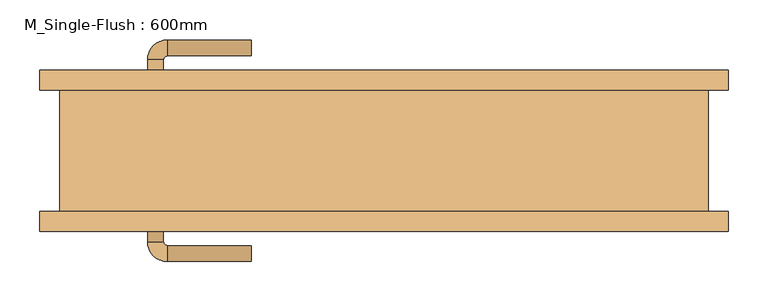
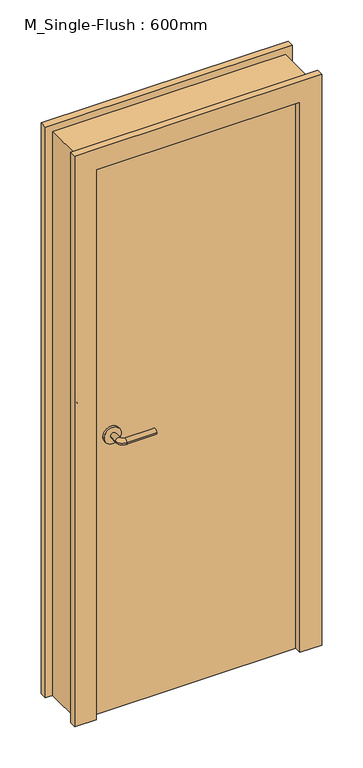
"""IFC4 building model written with IfcOpenShell, lengths in millimetres: door geometry, M_Single-Flush : 600mm."""

from ifc_helpers import new_model, si_unit, point, frame, frame_2d, origin, origin_with_axes, place, context, project, spatial, polyline, circle_curve, ellipse_curve, trimmed, segment, composite_curve, outline, extrude, source, transform, mapped, element, save
from ifc_brep_helpers import plane_surface, cylinder_surface, revolved_surface, advanced_brep


def m_single_flush_600mm_de8d478b(model_context):
    return source(origin(), model_context, "Body", "SolidModel", [
        advanced_brep(
        [(-298.1389046, -84.2, 1016.0), (-278.1389046, -84.2, 1016.0), (-278.1389046, -114.2, 1016.0), (-298.1389046, -114.2, 1016.0), (-273.1389046, -119.2, 1016.0), (-273.1389046, -139.2, 1016.0), (-168.1389046, -139.2, 1016.0), (-168.1389046, -119.2, 1016.0)],
        [
            (0, 1, circle_curve(frame((-288.1389046, -84.2, 1016.0), z_axis=(0.0, 1.0, 0.0), x_axis=(1.0, 0.0, 0.0)), 10.0)),
            (1, 0, circle_curve(frame((-288.1389046, -84.2, 1016.0), z_axis=(0.0, 1.0, 0.0), x_axis=(1.0, 0.0, 0.0)), 10.0)),
            (1, 2),
            (2, 3, circle_curve(frame((-288.1389046, -114.2, 1016.0), z_axis=(0.0, 1.0, 0.0), x_axis=(1.0, 0.0, 0.0)), 10.0)),
            (3, 0),
            (3, 2, circle_curve(frame((-288.1389046, -114.2, 1016.0), z_axis=(0.0, 1.0, 0.0), x_axis=(1.0, 0.0, 0.0)), 10.0)),
            (4, 5, circle_curve(frame((-273.1389046, -129.2, 1016.0), z_axis=(-1.0, 0.0, 0.0), x_axis=(0.0, 1.0, 0.0)), 10.0)),
            (5, 3, circle_curve(frame((-273.1389046, -114.2, 1016.0), z_axis=(0.0, 0.0, -1.0), x_axis=(-1.0, 0.0, 0.0)), 25.0)),
            (2, 4, circle_curve(frame((-273.1389046, -114.2, 1016.0), z_axis=(0.0, 0.0, 1.0), x_axis=(-1.0, 0.0, 0.0)), 5.0)),
            (5, 4, circle_curve(frame((-273.1389046, -129.2, 1016.0), z_axis=(-1.0, 0.0, 0.0), x_axis=(0.0, 1.0, 0.0)), 10.0)),
            (6, 7, circle_curve(frame((-168.1389046, -129.2, 1016.0), z_axis=(1.0, 0.0, 0.0), x_axis=(0.0, 1.0, 0.0)), 10.0)),
            (7, 6, circle_curve(frame((-168.1389046, -129.2, 1016.0), z_axis=(1.0, 0.0, 0.0), x_axis=(0.0, 1.0, 0.0)), 10.0)),
            (4, 7),
            (6, 5),
        ],
        [
            plane_surface(frame((-288.1389046, -84.2, 1016.0), z_axis=(0.0, 1.0, 0.0), x_axis=(0.0, 0.0, 1.0))),
            cylinder_surface(frame((-288.1389046, -84.2, 1016.0), z_axis=(0.0, 1.0, 0.0), x_axis=(1.0, 0.0, 0.0)), 10.0),
            revolved_surface(trimmed(ellipse_curve(frame((-288.1389046, -114.2, 1016.0), z_axis=(0.0, -1.0, 0.0), x_axis=(1.0, 0.0, 0.0)), 10.0, 10.0), [point((-298.1389046, -114.2, 1016.0))], [point((-278.1389046, -114.2, 1016.0))], True, "CARTESIAN"), (-273.1389046, -114.2, 1016.0), (0.0, 0.0, -1.0)),
            revolved_surface(trimmed(ellipse_curve(frame((-288.1389046, -114.2, 1016.0), z_axis=(0.0, -1.0, 0.0), x_axis=(1.0, 0.0, 0.0)), 10.0, 10.0), [point((-278.1389046, -114.2, 1016.0))], [point((-298.1389046, -114.2, 1016.0))], True, "CARTESIAN"), (-273.1389046, -114.2, 1016.0), (0.0, 0.0, -1.0)),
            plane_surface(frame((-168.1389046, -129.2, 1016.0), z_axis=(1.0, 0.0, 0.0), x_axis=(0.0, 0.0, 1.0))),
            cylinder_surface(frame((-273.1389046, -129.2, 1016.0), z_axis=(-1.0, 0.0, 0.0), x_axis=(0.0, 1.0, 0.0)), 10.0),
        ],
        [
            (0, [[1, 2]]),
            (1, [[3, 4, 5, -2]]),
            (1, [[-5, 6, -3, -1]]),
            (2, [[7, 8, -4, 9]]),
            (3, [[10, -9, -6, -8]]),
            (4, [[11, 12]]),
            (5, [[13, -11, 14, -7]]),
            (5, [[-14, -12, -13, -10]]),
        ],
    ),
        extrude(outline(composite_curve([segment(trimmed(circle_curve(frame_2d((1016.0, -290.6389046)), 30.0), [point((1016.0, -320.6389046))], [point((1016.0, -260.6389046))], False, "CARTESIAN"), True, "CONTINUOUS"), segment(trimmed(circle_curve(frame_2d((1016.0, -290.6389046)), 30.0), [point((1016.0, -260.6389046))], [point((1016.0, -320.6389046))], False, "CARTESIAN"), True, "CONTINUOUS")], self_intersect=False)), frame((0.0, -84.2, 0.0), z_axis=(0.0, 1.0, 0.0), x_axis=(0.0, 0.0, 1.0)), (0.0, 0.0, 1.0), 8.0),
        advanced_brep(
        [(-298.1389046, 84.2, 1016.0), (-278.1389046, 84.2, 1016.0), (-298.1389046, 114.2, 1016.0), (-278.1389046, 114.2, 1016.0), (-273.1389046, 119.2, 1016.0), (-273.1389046, 139.2, 1016.0), (-168.1389046, 139.2, 1016.0), (-168.1389046, 119.2, 1016.0)],
        [
            (0, 1, circle_curve(frame((-288.1389046, 84.2, 1016.0), z_axis=(0.0, -1.0, 0.0), x_axis=(1.0, 0.0, 0.0)), 10.0)),
            (1, 0, circle_curve(frame((-288.1389046, 84.2, 1016.0), z_axis=(0.0, -1.0, 0.0), x_axis=(1.0, 0.0, 0.0)), 10.0)),
            (0, 2),
            (2, 3, circle_curve(frame((-288.1389046, 114.2, 1016.0), z_axis=(0.0, -1.0, 0.0), x_axis=(1.0, 0.0, 0.0)), 10.0)),
            (3, 1),
            (3, 2, circle_curve(frame((-288.1389046, 114.2, 1016.0), z_axis=(0.0, -1.0, 0.0), x_axis=(1.0, 0.0, 0.0)), 10.0)),
            (4, 3, circle_curve(frame((-273.1389046, 114.2, 1016.0), z_axis=(0.0, 0.0, 1.0), x_axis=(-1.0, 0.0, 0.0)), 5.0)),
            (2, 5, circle_curve(frame((-273.1389046, 114.2, 1016.0), z_axis=(0.0, 0.0, -1.0), x_axis=(-1.0, 0.0, 0.0)), 25.0)),
            (5, 4, circle_curve(frame((-273.1389046, 129.2, 1016.0), z_axis=(-1.0, 0.0, 0.0), x_axis=(0.0, -1.0, 0.0)), 10.0)),
            (4, 5, circle_curve(frame((-273.1389046, 129.2, 1016.0), z_axis=(-1.0, 0.0, 0.0), x_axis=(0.0, -1.0, 0.0)), 10.0)),
            (6, 7, circle_curve(frame((-168.1389046, 129.2, 1016.0), z_axis=(1.0, 0.0, 0.0), x_axis=(0.0, -1.0, 0.0)), 10.0)),
            (7, 6, circle_curve(frame((-168.1389046, 129.2, 1016.0), z_axis=(1.0, 0.0, 0.0), x_axis=(0.0, -1.0, 0.0)), 10.0)),
            (5, 6),
            (7, 4),
        ],
        [
            plane_surface(frame((-288.1389046, 84.2, 1016.0), z_axis=(0.0, -1.0, 0.0), x_axis=(0.0, 0.0, 1.0))),
            cylinder_surface(frame((-288.1389046, 84.2, 1016.0), z_axis=(0.0, -1.0, 0.0), x_axis=(1.0, 0.0, 0.0)), 10.0),
            revolved_surface(trimmed(ellipse_curve(frame((-288.1389046, 114.2, 1016.0), z_axis=(0.0, -1.0, 0.0), x_axis=(1.0, 0.0, 0.0)), 10.0, 10.0), [point((-298.1389046, 114.2, 1016.0))], [point((-278.1389046, 114.2, 1016.0))], True, "CARTESIAN"), (-273.1389046, 114.2, 1016.0), (0.0, 0.0, -1.0)),
            revolved_surface(trimmed(ellipse_curve(frame((-288.1389046, 114.2, 1016.0), z_axis=(0.0, -1.0, 0.0), x_axis=(1.0, 0.0, 0.0)), 10.0, 10.0), [point((-278.1389046, 114.2, 1016.0))], [point((-298.1389046, 114.2, 1016.0))], True, "CARTESIAN"), (-273.1389046, 114.2, 1016.0), (0.0, 0.0, -1.0)),
            plane_surface(frame((-168.1389046, 129.2, 1016.0), z_axis=(1.0, 0.0, 0.0), x_axis=(0.0, 0.0, 1.0))),
            cylinder_surface(frame((-273.1389046, 129.2, 1016.0), z_axis=(-1.0, 0.0, 0.0), x_axis=(0.0, -1.0, 0.0)), 10.0),
        ],
        [
            (0, [[1, 2]]),
            (1, [[-1, 3, 4, 5]]),
            (1, [[-2, -5, 6, -3]]),
            (2, [[7, -4, 8, 9]]),
            (3, [[-8, -6, -7, 10]]),
            (4, [[11, 12]]),
            (5, [[-9, 13, -12, 14]]),
            (5, [[-10, -14, -11, -13]]),
        ],
    ),
        extrude(outline(composite_curve([segment(trimmed(circle_curve(frame_2d((1016.0, -290.6389046)), 30.0), [point((1016.0, -320.6389046))], [point((1016.0, -260.6389046))], False, "CARTESIAN"), True, "CONTINUOUS"), segment(trimmed(circle_curve(frame_2d((1016.0, -290.6389046)), 30.0), [point((1016.0, -260.6389046))], [point((1016.0, -320.6389046))], False, "CARTESIAN"), True, "CONTINUOUS")], self_intersect=False)), frame((0.0, 76.2, 0.0), z_axis=(0.0, 1.0, 0.0), x_axis=(0.0, 0.0, 1.0)), (0.0, 0.0, 1.0), 8.0),
        extrude(outline(polyline([(2108.0, -433.1482796), (0.0, -433.1482796), (0.0, -357.1482796), (2032.0, -357.1482796), (2032.0, 354.0517204), (0.0, 354.0517204), (0.0, 430.0517204), (2108.0, 430.0517204), (2108.0, -433.1482796)])), frame((0.0, 76.2, 0.0), z_axis=(0.0, 1.0, 0.0), x_axis=(0.0, 0.0, 1.0)), (0.0, 0.0, 1.0), 25.0),
        extrude(outline(polyline([(2108.0, 430.0517204), (2108.0, -433.1482796), (0.0, -433.1482796), (0.0, -357.1482796), (2032.0, -357.1482796), (2032.0, 354.0517204), (0.0, 354.0517204), (0.0, 430.0517204), (2108.0, 430.0517204)])), frame((0.0, -101.2, 0.0), z_axis=(0.0, 1.0, 0.0), x_axis=(0.0, 0.0, 1.0)), (0.0, 0.0, 1.0), 25.0),
        extrude(outline(polyline([(354.0517204, -76.2), (-357.1482796, -76.2), (-357.1482796, 76.2), (354.0517204, 76.2), (354.0517204, -76.2)])), origin_with_axes(), (0.0, 0.0, 1.0), 2032.0),
        extrude(outline(polyline([(0.0, 354.0517204), (0.0, 405.0517204), (2083.0, 405.0517204), (2083.0, -408.1482796), (0.0, -408.1482796), (0.0, -357.1482796), (2032.0, -357.1482796), (2032.0, 354.0517204), (0.0, 354.0517204)])), frame((0.0, -76.2, 0.0), z_axis=(0.0, 1.0, 0.0), x_axis=(0.0, 0.0, 1.0)), (0.0, 0.0, 1.0), 152.4),
    ])


if __name__ == "__main__":
    model = new_model("IFC4")
    model_context = context("Model", 3, world=origin())
    ifc_project = project(units=[si_unit("LENGTHUNIT", "METRE", prefix="MILLI")], contexts=[model_context])
    site = spatial("IfcSite", under=ifc_project)
    building = spatial("IfcBuilding", under=site)
    placement = place(None, origin())
    m_single_flush_600mm_shape = m_single_flush_600mm_de8d478b(model_context)
    element("IfcDoor", 1, ObjectType="M_Single-Flush : 600mm", at=placement, inside=building, context=model_context, shape_type="MappedRepresentation", body=[
        mapped(m_single_flush_600mm_shape, transform((0.0, 0.0, 0.0), x_axis=(1.0, 0.0, 0.0), y_axis=(0.0, 1.0, 0.0), z_axis=(0.0, 0.0, 1.0))),
    ])
    save(model, "model.ifc")
